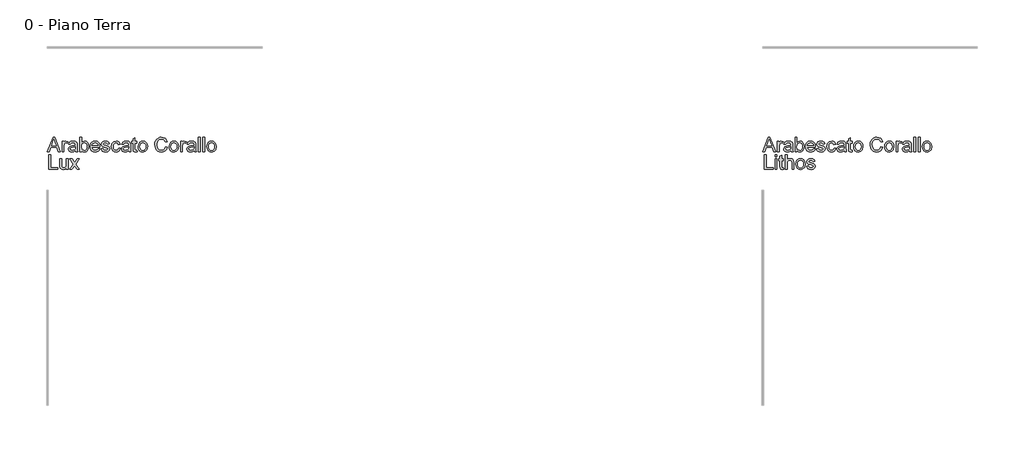
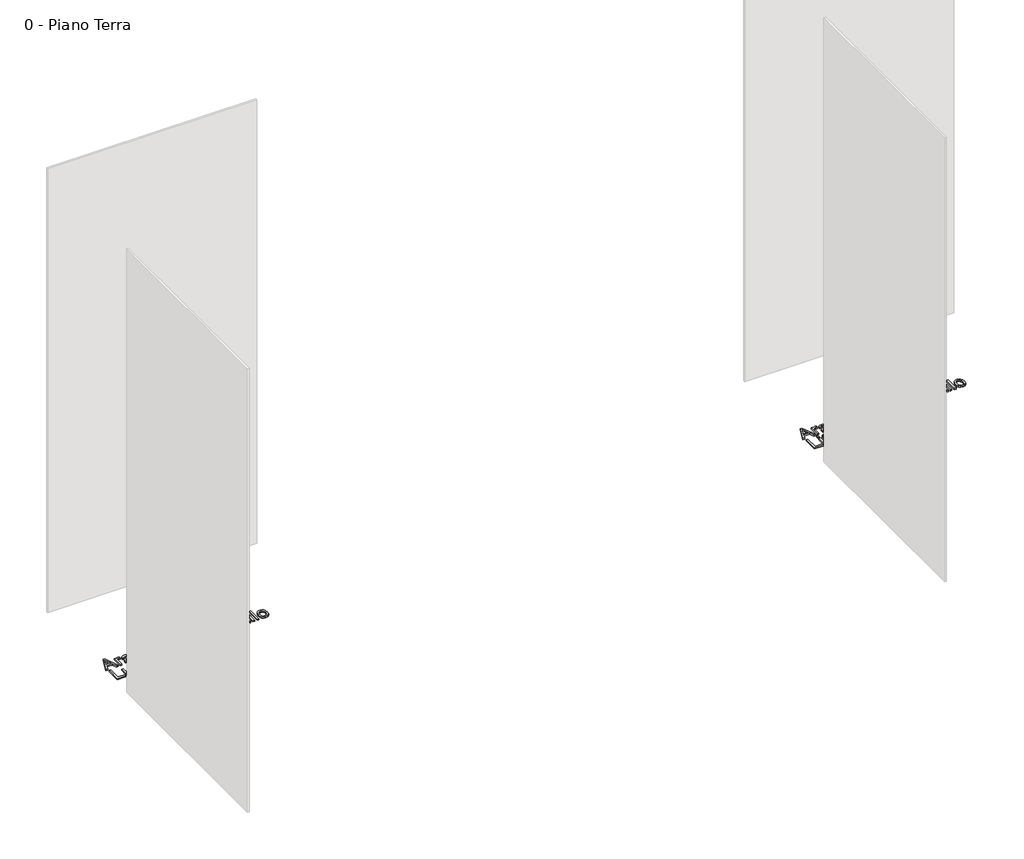
# One storey, part 31 of 35: 2 proxies.
"""IFC4 building model written with IfcOpenShell, lengths in millimetres."""

from ifc_helpers import new_model, si_unit, origin, origin_with_axes, place, context, project, spatial, polyline, outline, extrude, element, save

model = new_model("IFC4")

# Units and contexts
model_context = context("Model", 3, world=origin())
ifc_project = project(units=[si_unit("LENGTHUNIT", "METRE", prefix="MILLI")], contexts=[model_context])

# Site, building, storey
site = spatial("IfcSite", under=ifc_project)
building = spatial("IfcBuilding", under=site)
storey = spatial("IfcBuildingStorey", under=building, Name="0 - Piano Terra", Elevation=0.0)

# Proxies
placement = place(None, origin())
element("IfcBuildingElementProxy", 1, Name="Testo modello 1", ObjectType="Testo modello 1", at=placement, inside=storey, context=model_context, shape_type="SweptSolid", body=[
    extrude(outline(polyline([(7720.0306016, 5726.2407648), (7760.1297391, 5826.697075), (7770.8228424, 5826.697075), (7810.9219799, 5726.2407648), (7797.6537026, 5726.2407648), (7786.1512589, 5757.6333618), (7744.7767972, 5757.6333618), (7733.2988789, 5726.2407648), (7720.0306016, 5726.2407648)]), holes=[polyline([(7749.3875848, 5770.1904005), (7781.5649967, 5770.1904005), (7772.5150996, 5794.8875451), (7765.4762908, 5814.1400362), (7759.2222968, 5797.0457862), (7749.3875848, 5770.1904005)])]), origin_with_axes(), (0.0, 0.0, 1.0), 10.0),
    extrude(outline(polyline([(7822.7677801, 5726.2407648), (7822.7677801, 5800.0133676), (7833.7551891, 5800.0133676), (7833.7551891, 5789.0995351), (7841.5542874, 5799.1549763), (7849.4024366, 5801.5829975), (7862.0085263, 5797.7079738), (7857.8146716, 5786.4507847), (7848.9855037, 5789.0259587), (7841.8853812, 5786.5488866), (7837.3604326, 5779.681756), (7835.3248189, 5765.0155271), (7835.3248189, 5726.2407648), (7822.7677801, 5726.2407648)])), origin_with_axes(), (0.0, 0.0, 1.0), 10.0),
    extrude(outline(polyline([(7916.9455709, 5735.6585439), (7904.7686769, 5727.1482071), (7891.3164586, 5724.671135), (7880.8226247, 5726.1610571), (7873.0817744, 5730.6308233), (7868.3085055, 5737.4182461), (7866.7174158, 5745.8611379), (7869.1209115, 5755.7939518), (7875.4362191, 5763.0044389), (7884.2285988, 5767.1247172), (7895.0933804, 5769.0131782), (7916.8719945, 5773.3296602), (7916.9455709, 5776.1255634), (7913.4874802, 5785.3961897), (7899.6060662, 5789.0259587), (7886.9018746, 5786.6102003), (7880.8440845, 5778.0385498), (7868.2870457, 5779.6081796), (7873.7194365, 5791.8709128), (7884.6577945, 5799.0568744), (7901.224747, 5801.5829975), (7916.4427989, 5799.35118), (7925.0389748, 5793.747111), (7928.889473, 5785.2245114), (7929.5026097, 5774.2371025), (7929.5026097, 5758.6143804), (7930.1402718, 5736.7989781), (7932.6418694, 5726.2407648), (7920.0848306, 5726.2407648), (7916.9455709, 5735.6585439)]), holes=[polyline([(7916.9455709, 5760.7726215), (7896.6875357, 5756.9221232), (7885.8840678, 5754.8865095), (7880.9912373, 5751.5755716), (7879.2744546, 5746.7440547), (7883.0145882, 5739.9505005), (7893.9897344, 5737.2281738), (7906.693926, 5740.2325434), (7914.8854317, 5747.5043442), (7916.8719945, 5757.2164288), (7916.9455709, 5760.7726215)])]), origin_with_axes(), (0.0, 0.0, 1.0), 10.0),
    extrude(outline(polyline([(7959.3255768, 5726.2407648), (7946.768538, 5726.2407648), (7946.768538, 5826.697075), (7959.3255768, 5826.697075), (7959.3255768, 5789.4428916), (7968.1179564, 5798.547971), (7979.0440517, 5801.5829975), (7991.6256159, 5798.848408), (8001.3867515, 5791.1596743), (8007.3832281, 5779.2035094), (8009.5537318, 5764.2307122), (8007.306586, 5747.467556), (8000.5651484, 5734.9963563), (7990.6721884, 5727.2524403), (7978.9704753, 5724.671135), (7967.8052567, 5728.0004671), (7959.3255768, 5737.9884632), (7959.3255768, 5726.2407648)]), holes=[polyline([(7959.3255768, 5763.642101), (7962.759142, 5746.0818671), (7969.3380984, 5739.4415971), (7977.8913548, 5737.2281738), (7985.1386301, 5738.8591173), (7991.3313103, 5743.7519478), (7995.5803474, 5751.8760085), (7996.9966931, 5763.2006426), (7995.6385954, 5774.6908236), (7991.5643023, 5782.7229138), (7985.5647601, 5787.4501975), (7978.430915, 5789.0259587), (7971.1836397, 5787.3950152), (7964.9909595, 5782.5021846), (7960.7419224, 5774.5252767), (7959.3255768, 5763.642101)])]), origin_with_axes(), (0.0, 0.0, 1.0), 10.0),
    extrude(outline(polyline([(8075.3310326, 5748.2155827), (8087.6428167, 5746.6459528), (8083.206773, 5737.3691952), (8076.1281102, 5730.4346196), (8066.566244, 5726.1120062), (8054.6805899, 5724.671135), (8039.946916, 5727.1574042), (8028.6100192, 5734.6162116), (8021.381138, 5746.5631794), (8018.9715109, 5762.5139296), (8021.4056634, 5779.0011743), (8028.708121, 5791.3313525), (8039.8917337, 5799.0200862), (8053.9693514, 5801.5829975), (8067.6085764, 5799.0262176), (8078.5070805, 5791.355878), (8085.6531882, 5779.0502253), (8088.0352241, 5762.587506), (8087.9616477, 5759.2029916), (8031.5285497, 5759.2029916), (8033.7021191, 5749.8036066), (8038.7512995, 5742.8935565), (8046.0384287, 5738.6445195), (8054.9258446, 5737.2281738), (8067.2376287, 5739.8523987), (8075.3310326, 5748.2155827)]), holes=[polyline([(8031.5285497, 5771.7600304), (8075.4781854, 5771.7600304), (8070.4504648, 5783.1398468), (8063.1296131, 5787.5544307), (8053.9203005, 5789.0259587), (8038.4569939, 5784.3293319), (8033.5917545, 5778.8386931), (8031.5285497, 5771.7600304)])]), origin_with_axes(), (0.0, 0.0, 1.0), 10.0),
    extrude(outline(polyline([(8095.8833734, 5748.2155827), (8108.4404121, 5749.7852125), (8114.2529477, 5740.4655353), (8127.5702759, 5737.2281738), (8140.3725693, 5740.1957552), (8144.5418986, 5747.1609876), (8140.3480439, 5752.8018449), (8127.4231231, 5756.382563), (8108.5139885, 5762.5261923), (8100.2611691, 5769.6998912), (8097.4530032, 5779.8289088), (8099.7093461, 5789.1853742), (8105.8652382, 5796.3345477), (8113.8482775, 5800.0501558), (8124.6517454, 5801.5829975), (8139.9311109, 5799.1181881), (8149.6431956, 5792.4472612), (8153.9596777, 5781.1778095), (8141.4026389, 5779.6081796), (8136.6814866, 5786.5366239), (8125.632764, 5789.0259587), (8113.6152855, 5786.6469885), (8110.010042, 5781.1042331), (8111.5060954, 5777.4499386), (8116.1904595, 5774.6785609), (8127.0061902, 5772.005285), (8145.4370781, 5766.0946477), (8153.9964659, 5759.3991953), (8157.0989374, 5748.4853628), (8153.4569056, 5736.4678843), (8142.9477433, 5727.749081), (8127.3985976, 5724.671135), (8114.7373256, 5726.1549257), (8105.4973562, 5730.6062979), (8099.3292014, 5737.9762005), (8095.8833734, 5748.2155827)])), origin_with_axes(), (0.0, 0.0, 1.0), 10.0),
    extrude(outline(polyline([(8218.3145014, 5752.9244722), (8230.8715401, 5751.3548424), (8227.3705298, 5740.1865581), (8220.7915735, 5731.746732), (8211.7539391, 5726.4400343), (8200.8768948, 5724.671135), (8187.5197127, 5727.1390101), (8177.0749297, 5734.5426352), (8170.3334921, 5746.557048), (8168.0863463, 5762.8572861), (8171.9245818, 5783.7161952), (8183.6232292, 5797.1193626), (8200.7052165, 5801.5829975), (8211.3155464, 5800.0501558), (8219.7982921, 5795.4516309), (8225.8836734, 5788.0326773), (8229.3019103, 5778.0385498), (8216.7448715, 5776.4689199), (8210.9200733, 5785.8744363), (8200.8033184, 5789.0259587), (8192.6884547, 5787.4747229), (8186.2474541, 5782.8210157), (8182.0444023, 5774.8134509), (8180.6433851, 5763.2006426), (8182.0137455, 5751.4314845), (8186.1248268, 5743.3963286), (8192.4493314, 5738.7702125), (8200.4599619, 5737.2281738), (8212.2934994, 5741.078672), (8218.3145014, 5752.9244722)])), origin_with_axes(), (0.0, 0.0, 1.0), 10.0),
    extrude(outline(polyline([(8288.9478444, 5735.6585439), (8276.7709504, 5727.1482071), (8263.3187321, 5724.671135), (8252.8248982, 5726.1610571), (8245.0840479, 5730.6308233), (8240.310779, 5737.4182461), (8238.7196894, 5745.8611379), (8241.1231851, 5755.7939518), (8247.4384926, 5763.0044389), (8256.2308723, 5767.1247172), (8267.0956539, 5769.0131782), (8288.874268, 5773.3296602), (8288.9478444, 5776.1255634), (8285.4897537, 5785.3961897), (8271.6083397, 5789.0259587), (8258.9041482, 5786.6102003), (8252.846358, 5778.0385498), (8240.2893192, 5779.6081796), (8245.72171, 5791.8709128), (8256.660068, 5799.0568744), (8273.2270205, 5801.5829975), (8288.4450724, 5799.35118), (8297.0412483, 5793.747111), (8300.8917465, 5785.2245114), (8301.5048832, 5774.2371025), (8301.5048832, 5758.6143804), (8302.1425453, 5736.7989781), (8304.6441429, 5726.2407648), (8292.0871041, 5726.2407648), (8288.9478444, 5735.6585439)]), holes=[polyline([(8288.9478444, 5760.7726215), (8268.6898092, 5756.9221232), (8257.8863413, 5754.8865095), (8252.9935108, 5751.5755716), (8251.2767281, 5746.7440547), (8255.0168617, 5739.9505005), (8265.9920079, 5737.2281738), (8278.6961995, 5740.2325434), (8286.8877053, 5747.5043442), (8288.874268, 5757.2164288), (8288.9478444, 5760.7726215)])]), origin_with_axes(), (0.0, 0.0, 1.0), 10.0),
    extrude(outline(polyline([(8345.4545189, 5736.713139), (8347.0241487, 5725.8728829), (8337.6308951, 5724.671135), (8327.1094701, 5726.7557996), (8321.8610203, 5732.2249786), (8320.3404414, 5746.4742746), (8320.3404414, 5787.4563288), (8310.9226623, 5787.4563288), (8310.9226623, 5800.0133676), (8320.3404414, 5800.0133676), (8320.3404414, 5817.9414835), (8332.8974801, 5825.3236489), (8332.8974801, 5800.0133676), (8345.4545189, 5800.0133676), (8345.4545189, 5787.4563288), (8332.8974801, 5787.4563288), (8332.8974801, 5746.8421566), (8333.5596677, 5740.3674335), (8335.705646, 5738.0743024), (8339.9853399, 5737.2281738), (8345.4545189, 5736.713139)])), origin_with_axes(), (0.0, 0.0, 1.0), 10.0),
    extrude(outline(polyline([(8354.872298, 5763.1270662), (8357.5884934, 5780.9141607), (8365.7370796, 5793.4160172), (8375.8047835, 5799.5412524), (8387.8590502, 5801.5829975), (8401.0506854, 5799.0967283), (8411.5874389, 5791.6379209), (8418.4944234, 5779.7951863), (8420.7967515, 5764.1571358), (8416.7255241, 5741.814436), (8404.8674611, 5729.1715581), (8387.8590502, 5724.671135), (8374.5079995, 5727.1482071), (8363.9835087, 5734.5794234), (8357.1501007, 5746.6704783), (8354.872298, 5763.1270662)]), holes=[polyline([(8367.4293367, 5763.1515917), (8368.8824706, 5751.7871037), (8373.2418723, 5743.6906342), (8379.8024345, 5738.8437889), (8387.8590502, 5737.2281738), (8395.8788777, 5738.8529859), (8402.4271772, 5743.7274224), (8406.7865789, 5751.9311908), (8408.2397127, 5763.5439992), (8406.7773818, 5774.5773933), (8402.390389, 5782.5634983), (8395.8328925, 5787.4103436), (8387.8590502, 5789.0259587), (8379.8024345, 5787.416475), (8373.2418723, 5782.5880238), (8368.8824706, 5774.5099483), (8367.4293367, 5763.1515917)])]), origin_with_axes(), (0.0, 0.0, 1.0), 10.0),
    extrude(outline(polyline([(8546.3671392, 5761.9498438), (8558.924178, 5758.7124823), (8553.1300365, 5744.0799759), (8544.0372199, 5733.3899383), (8532.0933178, 5726.8508358), (8517.74592, 5724.671135), (8503.1808586, 5726.3204726), (8491.6140356, 5731.2684854), (8482.7480795, 5739.3434952), (8476.2856191, 5750.3738237), (8471.0249066, 5777.2292094), (8472.511763, 5791.8770442), (8476.9723322, 5804.5260534), (8484.1736222, 5814.7746327), (8493.8826412, 5822.2211774), (8505.3973477, 5826.755323), (8518.0157001, 5828.2667048), (8531.7836838, 5826.3107989), (8543.1665658, 5820.4430811), (8551.808727, 5811.025302), (8557.3545481, 5798.4192123), (8544.7975093, 5795.4271054), (8534.4968135, 5810.8658865), (8517.5251908, 5815.7096661), (8497.8802922, 5810.3385889), (8486.7825187, 5795.9176147), (8483.5819454, 5777.2537348), (8487.3711299, 5755.6222735), (8499.1678792, 5741.8021732), (8516.4951212, 5737.2281738), (8526.9766924, 5738.7855409), (8535.7108241, 5743.4576422), (8542.3051088, 5751.1954269), (8546.3671392, 5761.9498438)])), origin_with_axes(), (0.0, 0.0, 1.0), 10.0),
    extrude(outline(polyline([(8571.4812167, 5763.1270662), (8574.1974121, 5780.9141607), (8582.3459983, 5793.4160172), (8592.4137023, 5799.5412524), (8604.467969, 5801.5829975), (8617.6596042, 5799.0967283), (8628.1963577, 5791.6379209), (8635.1033421, 5779.7951863), (8637.4056703, 5764.1571358), (8633.3344429, 5741.814436), (8621.4763799, 5729.1715581), (8604.467969, 5724.671135), (8591.1169182, 5727.1482071), (8580.5924275, 5734.5794234), (8573.7590194, 5746.6704783), (8571.4812167, 5763.1270662)]), holes=[polyline([(8584.0382555, 5763.1515917), (8585.4913894, 5751.7871037), (8589.850791, 5743.6906342), (8596.4113533, 5738.8437889), (8604.467969, 5737.2281738), (8612.4877965, 5738.8529859), (8619.036096, 5743.7274224), (8623.3954976, 5751.9311908), (8624.8486315, 5763.5439992), (8623.3863006, 5774.5773933), (8618.9993078, 5782.5634983), (8612.4418112, 5787.4103436), (8604.467969, 5789.0259587), (8596.4113533, 5787.416475), (8589.850791, 5782.5880238), (8585.4913894, 5774.5099483), (8584.0382555, 5763.1515917)])]), origin_with_axes(), (0.0, 0.0, 1.0), 10.0),
    extrude(outline(polyline([(8651.5323389, 5726.2407648), (8651.5323389, 5800.0133676), (8662.5197478, 5800.0133676), (8662.5197478, 5789.0995351), (8670.3188461, 5799.1549763), (8678.1669953, 5801.5829975), (8690.773085, 5797.7079738), (8686.5792303, 5786.4507847), (8677.7500624, 5789.0259587), (8670.6499399, 5786.5488866), (8666.1249914, 5779.681756), (8664.0893777, 5765.0155271), (8664.0893777, 5726.2407648), (8651.5323389, 5726.2407648)])), origin_with_axes(), (0.0, 0.0, 1.0), 10.0),
    extrude(outline(polyline([(8745.7101296, 5735.6585439), (8733.5332356, 5727.1482071), (8720.0810173, 5724.671135), (8709.5871834, 5726.1610571), (8701.8463331, 5730.6308233), (8697.0730642, 5737.4182461), (8695.4819746, 5745.8611379), (8697.8854703, 5755.7939518), (8704.2007779, 5763.0044389), (8712.9931575, 5767.1247172), (8723.8579391, 5769.0131782), (8745.6365532, 5773.3296602), (8745.7101296, 5776.1255634), (8742.2520389, 5785.3961897), (8728.3706249, 5789.0259587), (8715.6664334, 5786.6102003), (8709.6086432, 5778.0385498), (8697.0516044, 5779.6081796), (8702.4839952, 5791.8709128), (8713.4223532, 5799.0568744), (8729.9893057, 5801.5829975), (8745.2073576, 5799.35118), (8753.8035335, 5793.747111), (8757.6540318, 5785.2245114), (8758.2671684, 5774.2371025), (8758.2671684, 5758.6143804), (8758.9048305, 5736.7989781), (8761.4064281, 5726.2407648), (8748.8493893, 5726.2407648), (8745.7101296, 5735.6585439)]), holes=[polyline([(8745.7101296, 5760.7726215), (8725.4520944, 5756.9221232), (8714.6486265, 5754.8865095), (8709.755796, 5751.5755716), (8708.0390133, 5746.7440547), (8711.779147, 5739.9505005), (8722.7542931, 5737.2281738), (8735.4584847, 5740.2325434), (8743.6499905, 5747.5043442), (8745.6365532, 5757.2164288), (8745.7101296, 5760.7726215)])]), origin_with_axes(), (0.0, 0.0, 1.0), 10.0),
    extrude(outline(polyline([(8775.5330967, 5726.2407648), (8775.5330967, 5826.697075), (8788.0901355, 5826.697075), (8788.0901355, 5726.2407648), (8775.5330967, 5726.2407648)])), origin_with_axes(), (0.0, 0.0, 1.0), 10.0),
    extrude(outline(polyline([(8806.9256936, 5726.2407648), (8806.9256936, 5826.697075), (8819.4827324, 5826.697075), (8819.4827324, 5726.2407648), (8806.9256936, 5726.2407648)])), origin_with_axes(), (0.0, 0.0, 1.0), 10.0),
    extrude(outline(polyline([(8835.1790309, 5763.1270662), (8837.8952263, 5780.9141607), (8846.0438125, 5793.4160172), (8856.1115164, 5799.5412524), (8868.1657831, 5801.5829975), (8881.3574183, 5799.0967283), (8891.8941718, 5791.6379209), (8898.8011563, 5779.7951863), (8901.1034844, 5764.1571358), (8897.032257, 5741.814436), (8885.174194, 5729.1715581), (8868.1657831, 5724.671135), (8854.8147324, 5727.1482071), (8844.2902416, 5734.5794234), (8837.4568336, 5746.6704783), (8835.1790309, 5763.1270662)]), holes=[polyline([(8847.7360696, 5763.1515917), (8849.1892035, 5751.7871037), (8853.5486052, 5743.6906342), (8860.1091674, 5738.8437889), (8868.1657831, 5737.2281738), (8876.1856106, 5738.8529859), (8882.7339101, 5743.7274224), (8887.0933118, 5751.9311908), (8888.5464456, 5763.5439992), (8887.0841147, 5774.5773933), (8882.6971219, 5782.5634983), (8876.1396254, 5787.4103436), (8868.1657831, 5789.0259587), (8860.1091674, 5787.416475), (8853.5486052, 5782.5880238), (8849.1892035, 5774.5099483), (8847.7360696, 5763.1515917)])]), origin_with_axes(), (0.0, 0.0, 1.0), 10.0),
    extrude(outline(polyline([(7731.7292491, 5604.265947), (7731.7292491, 5704.7222572), (7744.2862878, 5704.7222572), (7744.2862878, 5616.8229858), (7794.5144429, 5616.8229858), (7794.5144429, 5604.265947), (7731.7292491, 5604.265947)])), origin_with_axes(), (0.0, 0.0, 1.0), 10.0),
    extrude(outline(polyline([(7854.1603771, 5604.265947), (7854.1603771, 5616.9456131), (7844.3256651, 5606.2586411), (7831.4988462, 5602.6963172), (7819.6898341, 5605.1979147), (7811.5473793, 5611.4764341), (7807.8072457, 5620.7225349), (7807.0714817, 5632.3966569), (7807.0714817, 5678.0385498), (7819.6285205, 5678.0385498), (7819.6285205, 5638.3072943), (7820.3888099, 5625.5050009), (7825.3552168, 5617.9879454), (7834.7116823, 5615.2533559), (7845.1963191, 5618.0492591), (7852.1247634, 5625.6644164), (7854.1603771, 5639.6561949), (7854.1603771, 5678.0385498), (7866.7174158, 5678.0385498), (7866.7174158, 5604.265947), (7854.1603771, 5604.265947)])), origin_with_axes(), (0.0, 0.0, 1.0), 10.0),
    extrude(outline(polyline([(7876.1351949, 5604.265947), (7902.9660551, 5641.3484521), (7877.7048248, 5678.0385498), (7892.812512, 5678.0385498), (7905.0016688, 5660.380214), (7910.691577, 5652.0415554), (7915.6211957, 5658.8596351), (7929.5026097, 5678.0385498), (7944.610297, 5678.0385498), (7918.0737424, 5641.3484521), (7943.6292783, 5604.265947), (7928.521591, 5604.265947), (7913.1441236, 5626.5595959), (7910.323695, 5630.6308233), (7891.2428822, 5604.265947), (7876.1351949, 5604.265947)])), origin_with_axes(), (0.0, 0.0, 1.0), 10.0),
])
element("IfcBuildingElementProxy", 2, Name="Testo modello 1", ObjectType="Testo modello 1", at=placement, inside=storey, context=model_context, shape_type="SweptSolid", body=[
    extrude(outline(polyline([(12720.0306016, 5726.2407648), (12760.1297391, 5826.697075), (12770.8228424, 5826.697075), (12810.9219799, 5726.2407648), (12797.6537026, 5726.2407648), (12786.1512589, 5757.6333618), (12744.7767972, 5757.6333618), (12733.2988789, 5726.2407648), (12720.0306016, 5726.2407648)]), holes=[polyline([(12749.3875848, 5770.1904005), (12781.5649967, 5770.1904005), (12772.5150996, 5794.8875451), (12765.4762908, 5814.1400362), (12759.2222968, 5797.0457862), (12749.3875848, 5770.1904005)])]), origin_with_axes(), (0.0, 0.0, 1.0), 10.0),
    extrude(outline(polyline([(12822.7677801, 5726.2407648), (12822.7677801, 5800.0133676), (12833.7551891, 5800.0133676), (12833.7551891, 5789.0995351), (12841.5542874, 5799.1549763), (12849.4024366, 5801.5829975), (12862.0085263, 5797.7079738), (12857.8146716, 5786.4507847), (12848.9855037, 5789.0259587), (12841.8853812, 5786.5488866), (12837.3604326, 5779.681756), (12835.3248189, 5765.0155271), (12835.3248189, 5726.2407648), (12822.7677801, 5726.2407648)])), origin_with_axes(), (0.0, 0.0, 1.0), 10.0),
    extrude(outline(polyline([(12916.9455709, 5735.6585439), (12904.7686769, 5727.1482071), (12891.3164586, 5724.671135), (12880.8226247, 5726.1610571), (12873.0817744, 5730.6308233), (12868.3085055, 5737.4182461), (12866.7174158, 5745.8611379), (12869.1209115, 5755.7939518), (12875.4362191, 5763.0044389), (12884.2285988, 5767.1247172), (12895.0933804, 5769.0131782), (12916.8719945, 5773.3296602), (12916.9455709, 5776.1255634), (12913.4874802, 5785.3961897), (12899.6060662, 5789.0259587), (12886.9018746, 5786.6102003), (12880.8440845, 5778.0385498), (12868.2870457, 5779.6081796), (12873.7194365, 5791.8709128), (12884.6577945, 5799.0568744), (12901.224747, 5801.5829975), (12916.4427989, 5799.35118), (12925.0389748, 5793.747111), (12928.889473, 5785.2245114), (12929.5026097, 5774.2371025), (12929.5026097, 5758.6143804), (12930.1402718, 5736.7989781), (12932.6418694, 5726.2407648), (12920.0848306, 5726.2407648), (12916.9455709, 5735.6585439)]), holes=[polyline([(12916.9455709, 5760.7726215), (12896.6875357, 5756.9221232), (12885.8840678, 5754.8865095), (12880.9912373, 5751.5755716), (12879.2744546, 5746.7440547), (12883.0145882, 5739.9505005), (12893.9897344, 5737.2281738), (12906.693926, 5740.2325434), (12914.8854317, 5747.5043442), (12916.8719945, 5757.2164288), (12916.9455709, 5760.7726215)])]), origin_with_axes(), (0.0, 0.0, 1.0), 10.0),
    extrude(outline(polyline([(12959.3255768, 5726.2407648), (12946.768538, 5726.2407648), (12946.768538, 5826.697075), (12959.3255768, 5826.697075), (12959.3255768, 5789.4428916), (12968.1179564, 5798.547971), (12979.0440517, 5801.5829975), (12991.6256159, 5798.848408), (13001.3867515, 5791.1596743), (13007.3832281, 5779.2035094), (13009.5537318, 5764.2307122), (13007.306586, 5747.467556), (13000.5651484, 5734.9963563), (12990.6721884, 5727.2524403), (12978.9704753, 5724.671135), (12967.8052567, 5728.0004671), (12959.3255768, 5737.9884632), (12959.3255768, 5726.2407648)]), holes=[polyline([(12959.3255768, 5763.642101), (12962.759142, 5746.0818671), (12969.3380984, 5739.4415971), (12977.8913548, 5737.2281738), (12985.1386301, 5738.8591173), (12991.3313103, 5743.7519478), (12995.5803474, 5751.8760085), (12996.9966931, 5763.2006426), (12995.6385954, 5774.6908236), (12991.5643023, 5782.7229138), (12985.5647601, 5787.4501975), (12978.430915, 5789.0259587), (12971.1836397, 5787.3950152), (12964.9909595, 5782.5021846), (12960.7419224, 5774.5252767), (12959.3255768, 5763.642101)])]), origin_with_axes(), (0.0, 0.0, 1.0), 10.0),
    extrude(outline(polyline([(13075.3310326, 5748.2155827), (13087.6428167, 5746.6459528), (13083.206773, 5737.3691952), (13076.1281102, 5730.4346196), (13066.566244, 5726.1120062), (13054.6805899, 5724.671135), (13039.946916, 5727.1574042), (13028.6100192, 5734.6162116), (13021.381138, 5746.5631794), (13018.9715109, 5762.5139296), (13021.4056634, 5779.0011743), (13028.708121, 5791.3313525), (13039.8917337, 5799.0200862), (13053.9693514, 5801.5829975), (13067.6085764, 5799.0262176), (13078.5070805, 5791.355878), (13085.6531882, 5779.0502253), (13088.0352241, 5762.587506), (13087.9616477, 5759.2029916), (13031.5285497, 5759.2029916), (13033.7021191, 5749.8036066), (13038.7512995, 5742.8935565), (13046.0384287, 5738.6445195), (13054.9258446, 5737.2281738), (13067.2376287, 5739.8523987), (13075.3310326, 5748.2155827)]), holes=[polyline([(13031.5285497, 5771.7600304), (13075.4781854, 5771.7600304), (13070.4504648, 5783.1398468), (13063.1296131, 5787.5544307), (13053.9203005, 5789.0259587), (13038.4569939, 5784.3293319), (13033.5917545, 5778.8386931), (13031.5285497, 5771.7600304)])]), origin_with_axes(), (0.0, 0.0, 1.0), 10.0),
    extrude(outline(polyline([(13095.8833734, 5748.2155827), (13108.4404121, 5749.7852125), (13114.2529477, 5740.4655353), (13127.5702759, 5737.2281738), (13140.3725693, 5740.1957552), (13144.5418986, 5747.1609876), (13140.3480439, 5752.8018449), (13127.4231231, 5756.382563), (13108.5139885, 5762.5261923), (13100.2611691, 5769.6998912), (13097.4530032, 5779.8289088), (13099.7093461, 5789.1853742), (13105.8652382, 5796.3345477), (13113.8482775, 5800.0501558), (13124.6517454, 5801.5829975), (13139.9311109, 5799.1181881), (13149.6431956, 5792.4472612), (13153.9596777, 5781.1778095), (13141.4026389, 5779.6081796), (13136.6814866, 5786.5366239), (13125.632764, 5789.0259587), (13113.6152855, 5786.6469885), (13110.010042, 5781.1042331), (13111.5060954, 5777.4499386), (13116.1904595, 5774.6785609), (13127.0061902, 5772.005285), (13145.4370781, 5766.0946477), (13153.9964659, 5759.3991953), (13157.0989374, 5748.4853628), (13153.4569056, 5736.4678843), (13142.9477433, 5727.749081), (13127.3985976, 5724.671135), (13114.7373256, 5726.1549257), (13105.4973562, 5730.6062979), (13099.3292014, 5737.9762005), (13095.8833734, 5748.2155827)])), origin_with_axes(), (0.0, 0.0, 1.0), 10.0),
    extrude(outline(polyline([(13218.3145014, 5752.9244722), (13230.8715401, 5751.3548424), (13227.3705298, 5740.1865581), (13220.7915735, 5731.746732), (13211.7539391, 5726.4400343), (13200.8768948, 5724.671135), (13187.5197127, 5727.1390101), (13177.0749297, 5734.5426352), (13170.3334921, 5746.557048), (13168.0863463, 5762.8572861), (13171.9245818, 5783.7161952), (13183.6232292, 5797.1193626), (13200.7052165, 5801.5829975), (13211.3155464, 5800.0501558), (13219.7982921, 5795.4516309), (13225.8836734, 5788.0326773), (13229.3019103, 5778.0385498), (13216.7448715, 5776.4689199), (13210.9200733, 5785.8744363), (13200.8033184, 5789.0259587), (13192.6884547, 5787.4747229), (13186.2474541, 5782.8210157), (13182.0444023, 5774.8134509), (13180.6433851, 5763.2006426), (13182.0137455, 5751.4314845), (13186.1248268, 5743.3963286), (13192.4493314, 5738.7702125), (13200.4599619, 5737.2281738), (13212.2934994, 5741.078672), (13218.3145014, 5752.9244722)])), origin_with_axes(), (0.0, 0.0, 1.0), 10.0),
    extrude(outline(polyline([(13288.9478444, 5735.6585439), (13276.7709504, 5727.1482071), (13263.3187321, 5724.671135), (13252.8248982, 5726.1610571), (13245.0840479, 5730.6308233), (13240.310779, 5737.4182461), (13238.7196894, 5745.8611379), (13241.1231851, 5755.7939518), (13247.4384926, 5763.0044389), (13256.2308723, 5767.1247172), (13267.0956539, 5769.0131782), (13288.874268, 5773.3296602), (13288.9478444, 5776.1255634), (13285.4897537, 5785.3961897), (13271.6083397, 5789.0259587), (13258.9041482, 5786.6102003), (13252.846358, 5778.0385498), (13240.2893192, 5779.6081796), (13245.72171, 5791.8709128), (13256.660068, 5799.0568744), (13273.2270205, 5801.5829975), (13288.4450724, 5799.35118), (13297.0412483, 5793.747111), (13300.8917465, 5785.2245114), (13301.5048832, 5774.2371025), (13301.5048832, 5758.6143804), (13302.1425453, 5736.7989781), (13304.6441429, 5726.2407648), (13292.0871041, 5726.2407648), (13288.9478444, 5735.6585439)]), holes=[polyline([(13288.9478444, 5760.7726215), (13268.6898092, 5756.9221232), (13257.8863413, 5754.8865095), (13252.9935108, 5751.5755716), (13251.2767281, 5746.7440547), (13255.0168617, 5739.9505005), (13265.9920079, 5737.2281738), (13278.6961995, 5740.2325434), (13286.8877053, 5747.5043442), (13288.874268, 5757.2164288), (13288.9478444, 5760.7726215)])]), origin_with_axes(), (0.0, 0.0, 1.0), 10.0),
    extrude(outline(polyline([(13345.4545189, 5736.713139), (13347.0241487, 5725.8728829), (13337.6308951, 5724.671135), (13327.1094701, 5726.7557996), (13321.8610203, 5732.2249786), (13320.3404414, 5746.4742746), (13320.3404414, 5787.4563288), (13310.9226623, 5787.4563288), (13310.9226623, 5800.0133676), (13320.3404414, 5800.0133676), (13320.3404414, 5817.9414835), (13332.8974801, 5825.3236489), (13332.8974801, 5800.0133676), (13345.4545189, 5800.0133676), (13345.4545189, 5787.4563288), (13332.8974801, 5787.4563288), (13332.8974801, 5746.8421566), (13333.5596677, 5740.3674335), (13335.705646, 5738.0743024), (13339.9853399, 5737.2281738), (13345.4545189, 5736.713139)])), origin_with_axes(), (0.0, 0.0, 1.0), 10.0),
    extrude(outline(polyline([(13354.872298, 5763.1270662), (13357.5884934, 5780.9141607), (13365.7370796, 5793.4160172), (13375.8047835, 5799.5412524), (13387.8590502, 5801.5829975), (13401.0506854, 5799.0967283), (13411.5874389, 5791.6379209), (13418.4944234, 5779.7951863), (13420.7967515, 5764.1571358), (13416.7255241, 5741.814436), (13404.8674611, 5729.1715581), (13387.8590502, 5724.671135), (13374.5079995, 5727.1482071), (13363.9835087, 5734.5794234), (13357.1501007, 5746.6704783), (13354.872298, 5763.1270662)]), holes=[polyline([(13367.4293367, 5763.1515917), (13368.8824706, 5751.7871037), (13373.2418723, 5743.6906342), (13379.8024345, 5738.8437889), (13387.8590502, 5737.2281738), (13395.8788777, 5738.8529859), (13402.4271772, 5743.7274224), (13406.7865789, 5751.9311908), (13408.2397127, 5763.5439992), (13406.7773818, 5774.5773933), (13402.390389, 5782.5634983), (13395.8328925, 5787.4103436), (13387.8590502, 5789.0259587), (13379.8024345, 5787.416475), (13373.2418723, 5782.5880238), (13368.8824706, 5774.5099483), (13367.4293367, 5763.1515917)])]), origin_with_axes(), (0.0, 0.0, 1.0), 10.0),
    extrude(outline(polyline([(13546.3671392, 5761.9498438), (13558.924178, 5758.7124823), (13553.1300365, 5744.0799759), (13544.0372199, 5733.3899383), (13532.0933178, 5726.8508358), (13517.74592, 5724.671135), (13503.1808586, 5726.3204726), (13491.6140356, 5731.2684854), (13482.7480795, 5739.3434952), (13476.2856191, 5750.3738237), (13471.0249066, 5777.2292094), (13472.511763, 5791.8770442), (13476.9723322, 5804.5260534), (13484.1736222, 5814.7746327), (13493.8826412, 5822.2211774), (13505.3973477, 5826.755323), (13518.0157001, 5828.2667048), (13531.7836838, 5826.3107989), (13543.1665658, 5820.4430811), (13551.808727, 5811.025302), (13557.3545481, 5798.4192123), (13544.7975093, 5795.4271054), (13534.4968135, 5810.8658865), (13517.5251908, 5815.7096661), (13497.8802922, 5810.3385889), (13486.7825187, 5795.9176147), (13483.5819454, 5777.2537348), (13487.3711299, 5755.6222735), (13499.1678792, 5741.8021732), (13516.4951212, 5737.2281738), (13526.9766924, 5738.7855409), (13535.7108241, 5743.4576422), (13542.3051088, 5751.1954269), (13546.3671392, 5761.9498438)])), origin_with_axes(), (0.0, 0.0, 1.0), 10.0),
    extrude(outline(polyline([(13571.4812167, 5763.1270662), (13574.1974121, 5780.9141607), (13582.3459983, 5793.4160172), (13592.4137023, 5799.5412524), (13604.467969, 5801.5829975), (13617.6596042, 5799.0967283), (13628.1963577, 5791.6379209), (13635.1033421, 5779.7951863), (13637.4056703, 5764.1571358), (13633.3344429, 5741.814436), (13621.4763799, 5729.1715581), (13604.467969, 5724.671135), (13591.1169182, 5727.1482071), (13580.5924275, 5734.5794234), (13573.7590194, 5746.6704783), (13571.4812167, 5763.1270662)]), holes=[polyline([(13584.0382555, 5763.1515917), (13585.4913894, 5751.7871037), (13589.850791, 5743.6906342), (13596.4113533, 5738.8437889), (13604.467969, 5737.2281738), (13612.4877965, 5738.8529859), (13619.036096, 5743.7274224), (13623.3954976, 5751.9311908), (13624.8486315, 5763.5439992), (13623.3863006, 5774.5773933), (13618.9993078, 5782.5634983), (13612.4418112, 5787.4103436), (13604.467969, 5789.0259587), (13596.4113533, 5787.416475), (13589.850791, 5782.5880238), (13585.4913894, 5774.5099483), (13584.0382555, 5763.1515917)])]), origin_with_axes(), (0.0, 0.0, 1.0), 10.0),
    extrude(outline(polyline([(13651.5323389, 5726.2407648), (13651.5323389, 5800.0133676), (13662.5197478, 5800.0133676), (13662.5197478, 5789.0995351), (13670.3188461, 5799.1549763), (13678.1669953, 5801.5829975), (13690.773085, 5797.7079738), (13686.5792303, 5786.4507847), (13677.7500624, 5789.0259587), (13670.6499399, 5786.5488866), (13666.1249914, 5779.681756), (13664.0893777, 5765.0155271), (13664.0893777, 5726.2407648), (13651.5323389, 5726.2407648)])), origin_with_axes(), (0.0, 0.0, 1.0), 10.0),
    extrude(outline(polyline([(13745.7101296, 5735.6585439), (13733.5332356, 5727.1482071), (13720.0810173, 5724.671135), (13709.5871834, 5726.1610571), (13701.8463331, 5730.6308233), (13697.0730642, 5737.4182461), (13695.4819746, 5745.8611379), (13697.8854703, 5755.7939518), (13704.2007779, 5763.0044389), (13712.9931575, 5767.1247172), (13723.8579391, 5769.0131782), (13745.6365532, 5773.3296602), (13745.7101296, 5776.1255634), (13742.2520389, 5785.3961897), (13728.3706249, 5789.0259587), (13715.6664334, 5786.6102003), (13709.6086432, 5778.0385498), (13697.0516044, 5779.6081796), (13702.4839952, 5791.8709128), (13713.4223532, 5799.0568744), (13729.9893057, 5801.5829975), (13745.2073576, 5799.35118), (13753.8035335, 5793.747111), (13757.6540318, 5785.2245114), (13758.2671684, 5774.2371025), (13758.2671684, 5758.6143804), (13758.9048305, 5736.7989781), (13761.4064281, 5726.2407648), (13748.8493893, 5726.2407648), (13745.7101296, 5735.6585439)]), holes=[polyline([(13745.7101296, 5760.7726215), (13725.4520944, 5756.9221232), (13714.6486265, 5754.8865095), (13709.755796, 5751.5755716), (13708.0390133, 5746.7440547), (13711.779147, 5739.9505005), (13722.7542931, 5737.2281738), (13735.4584847, 5740.2325434), (13743.6499905, 5747.5043442), (13745.6365532, 5757.2164288), (13745.7101296, 5760.7726215)])]), origin_with_axes(), (0.0, 0.0, 1.0), 10.0),
    extrude(outline(polyline([(13775.5330967, 5726.2407648), (13775.5330967, 5826.697075), (13788.0901355, 5826.697075), (13788.0901355, 5726.2407648), (13775.5330967, 5726.2407648)])), origin_with_axes(), (0.0, 0.0, 1.0), 10.0),
    extrude(outline(polyline([(13806.9256936, 5726.2407648), (13806.9256936, 5826.697075), (13819.4827324, 5826.697075), (13819.4827324, 5726.2407648), (13806.9256936, 5726.2407648)])), origin_with_axes(), (0.0, 0.0, 1.0), 10.0),
    extrude(outline(polyline([(13835.1790309, 5763.1270662), (13837.8952263, 5780.9141607), (13846.0438125, 5793.4160172), (13856.1115164, 5799.5412524), (13868.1657831, 5801.5829975), (13881.3574183, 5799.0967283), (13891.8941718, 5791.6379209), (13898.8011563, 5779.7951863), (13901.1034844, 5764.1571358), (13897.032257, 5741.814436), (13885.174194, 5729.1715581), (13868.1657831, 5724.671135), (13854.8147324, 5727.1482071), (13844.2902416, 5734.5794234), (13837.4568336, 5746.6704783), (13835.1790309, 5763.1270662)]), holes=[polyline([(13847.7360696, 5763.1515917), (13849.1892035, 5751.7871037), (13853.5486052, 5743.6906342), (13860.1091674, 5738.8437889), (13868.1657831, 5737.2281738), (13876.1856106, 5738.8529859), (13882.7339101, 5743.7274224), (13887.0933118, 5751.9311908), (13888.5464456, 5763.5439992), (13887.0841147, 5774.5773933), (13882.6971219, 5782.5634983), (13876.1396254, 5787.4103436), (13868.1657831, 5789.0259587), (13860.1091674, 5787.416475), (13853.5486052, 5782.5880238), (13849.1892035, 5774.5099483), (13847.7360696, 5763.1515917)])]), origin_with_axes(), (0.0, 0.0, 1.0), 10.0),
    extrude(outline(polyline([(12731.7292491, 5604.265947), (12731.7292491, 5704.7222572), (12744.2862878, 5704.7222572), (12744.2862878, 5616.8229858), (12794.5144429, 5616.8229858), (12794.5144429, 5604.265947), (12731.7292491, 5604.265947)])), origin_with_axes(), (0.0, 0.0, 1.0), 10.0),
    extrude(outline(polyline([(12807.0714817, 5604.265947), (12807.0714817, 5678.0385498), (12819.6285205, 5678.0385498), (12819.6285205, 5604.265947), (12807.0714817, 5604.265947)])), origin_with_axes(), (0.0, 0.0, 1.0), 10.0),
    extrude(outline(polyline([(12807.0714817, 5692.1652184), (12807.0714817, 5704.7222572), (12819.6285205, 5704.7222572), (12819.6285205, 5692.1652184), (12807.0714817, 5692.1652184)])), origin_with_axes(), (0.0, 0.0, 1.0), 10.0),
    extrude(outline(polyline([(12865.147786, 5614.7383211), (12866.7174158, 5603.898065), (12857.3241622, 5602.6963172), (12846.8027372, 5604.7809818), (12841.5542874, 5610.2501608), (12840.0337085, 5624.4994567), (12840.0337085, 5665.481511), (12830.6159294, 5665.481511), (12830.6159294, 5678.0385498), (12840.0337085, 5678.0385498), (12840.0337085, 5695.9666657), (12852.5907472, 5703.348831), (12852.5907472, 5678.0385498), (12865.147786, 5678.0385498), (12865.147786, 5665.481511), (12852.5907472, 5665.481511), (12852.5907472, 5624.8673387), (12853.2529348, 5618.3926156), (12855.3989131, 5616.0994845), (12859.678607, 5615.2533559), (12865.147786, 5614.7383211)])), origin_with_axes(), (0.0, 0.0, 1.0), 10.0),
    extrude(outline(polyline([(12877.7048248, 5604.265947), (12877.7048248, 5704.7222572), (12890.2618635, 5704.7222572), (12890.2618635, 5667.7869048), (12900.053656, 5676.6528609), (12912.114054, 5679.6081796), (12926.2161972, 5676.3830808), (12934.7755849, 5667.4680738), (12937.3507589, 5650.9624349), (12937.3507589, 5604.265947), (12924.7937201, 5604.265947), (12924.7937201, 5649.6625852), (12920.7960691, 5662.906337), (12909.4653037, 5667.0511408), (12899.1768705, 5664.2552377), (12892.30974, 5656.6768686), (12890.2618635, 5643.4576422), (12890.2618635, 5604.265947), (12877.7048248, 5604.265947)])), origin_with_axes(), (0.0, 0.0, 1.0), 10.0),
    extrude(outline(polyline([(12951.4774275, 5641.1522484), (12954.1936229, 5658.9393429), (12962.3422091, 5671.4411993), (12972.4099131, 5677.5664345), (12984.4641798, 5679.6081796), (12997.655815, 5677.1219105), (13008.1925685, 5669.663103), (13015.0995529, 5657.8203685), (13017.4018811, 5642.182318), (13013.3306537, 5619.8396181), (13001.4725907, 5607.1967402), (12984.4641798, 5602.6963172), (12971.113129, 5605.1733893), (12960.5886383, 5612.6046056), (12953.7552302, 5624.6956605), (12951.4774275, 5641.1522484)]), holes=[polyline([(12964.0344663, 5641.1767739), (12965.4876002, 5629.8122859), (12969.8470018, 5621.7158163), (12976.4075641, 5616.868971), (12984.4641798, 5615.2533559), (12992.4840073, 5616.8781681), (12999.0323068, 5621.7526045), (13003.3917084, 5629.956373), (13004.8448423, 5641.5691813), (13003.3825114, 5652.6025755), (12998.9955186, 5660.5886805), (12992.438022, 5665.4355258), (12984.4641798, 5667.0511408), (12976.4075641, 5665.4416571), (12969.8470018, 5660.6132059), (12965.4876002, 5652.5351305), (12964.0344663, 5641.1767739)])]), origin_with_axes(), (0.0, 0.0, 1.0), 10.0),
    extrude(outline(polyline([(13026.8196601, 5626.2407648), (13039.3766989, 5627.8103947), (13045.1892344, 5618.4907175), (13058.5065627, 5615.2533559), (13071.3088561, 5618.2209374), (13075.4781854, 5625.1861698), (13071.2843306, 5630.8270271), (13058.3594099, 5634.4077451), (13039.4502753, 5640.5513745), (13031.1974559, 5647.7250734), (13028.38929, 5657.854091), (13030.6456329, 5667.2105564), (13036.8015249, 5674.3597298), (13044.7845642, 5678.075338), (13055.5880322, 5679.6081796), (13070.8673977, 5677.1433702), (13080.5794824, 5670.4724434), (13084.8959644, 5659.2029916), (13072.3389257, 5657.6333618), (13067.6177734, 5664.561806), (13056.5690508, 5667.0511408), (13044.5515723, 5664.6721706), (13040.9463288, 5659.1294152), (13042.4423822, 5655.4751207), (13047.1267463, 5652.703743), (13057.9424769, 5650.0304672), (13076.3733649, 5644.1198298), (13084.9327526, 5637.4243775), (13088.0352241, 5626.510545), (13084.3931924, 5614.4930665), (13073.8840301, 5605.7742632), (13058.3348844, 5602.6963172), (13045.6736124, 5604.1801079), (13036.4336429, 5608.63148), (13030.2654882, 5616.0013826), (13026.8196601, 5626.2407648)])), origin_with_axes(), (0.0, 0.0, 1.0), 10.0),
])

save(model, "model.ifc")
